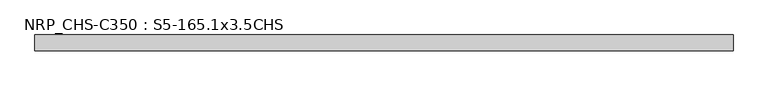
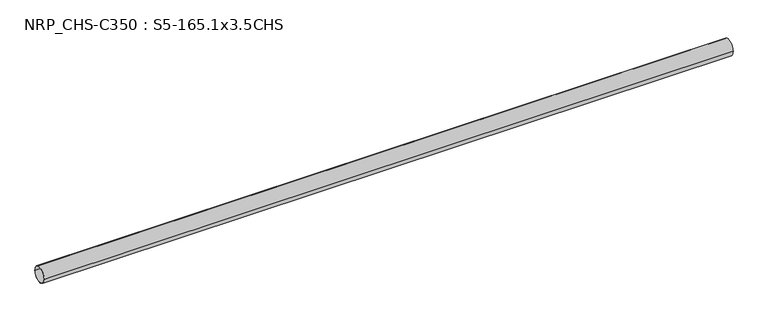
"""IFC4 building model written with IfcOpenShell, lengths in millimetres: beam geometry, NRP_CHS-C350 : S5-165.1x3.5CHS."""

from ifc_helpers import new_model, si_unit, point, frame, origin, origin_2d, place, context, project, spatial, circle_curve, trimmed, segment, composite_curve, outline, extrude, source, transform, mapped, element, save


def nrp_chs_c350_s5_165_1x3_5chs_24817e6e(model_context):
    return source(origin(), model_context, "Body", "SweptSolid", [
        extrude(outline(composite_curve([segment(trimmed(circle_curve(origin_2d(), 82.55), [point((82.55, 0.0))], [point((-82.55, 0.0))], False, "CARTESIAN"), True, "CONTINUOUS"), segment(trimmed(circle_curve(origin_2d(), 82.55), [point((-82.55, 0.0))], [point((82.55, 0.0))], False, "CARTESIAN"), True, "CONTINUOUS")], self_intersect=False), holes=[composite_curve([segment(trimmed(circle_curve(origin_2d(), 79.05), [point((-79.05, 0.0))], [point((79.05, 0.0))], True, "CARTESIAN"), True, "CONTINUOUS"), segment(trimmed(circle_curve(origin_2d(), 79.05), [point((79.05, 0.0))], [point((-79.05, 0.0))], True, "CARTESIAN"), True, "CONTINUOUS")], self_intersect=False)]), frame((-3566.95, 0.0, 0.0), z_axis=(1.0, 0.0, 0.0), x_axis=(0.0, 1.0, 0.0)), (0.0, 0.0, 1.0), 7167.5),
    ])


if __name__ == "__main__":
    model = new_model("IFC4")
    model_context = context("Model", 3, world=origin())
    ifc_project = project(units=[si_unit("LENGTHUNIT", "METRE", prefix="MILLI")], contexts=[model_context])
    site = spatial("IfcSite", under=ifc_project)
    building = spatial("IfcBuilding", under=site)
    placement = place(None, origin())
    nrp_chs_c350_s5_165_1x3_5chs_shape = nrp_chs_c350_s5_165_1x3_5chs_24817e6e(model_context)
    element("IfcBeam", 1, ObjectType="NRP_CHS-C350 : S5-165.1x3.5CHS", at=placement, inside=building, context=model_context, shape_type="MappedRepresentation", body=[
        mapped(nrp_chs_c350_s5_165_1x3_5chs_shape, transform((0.0, 0.0, 0.0), x_axis=(1.0, 0.0, 0.0), y_axis=(0.0, 1.0, 0.0), z_axis=(0.0, 0.0, 1.0))),
    ])
    save(model, "model.ifc")
